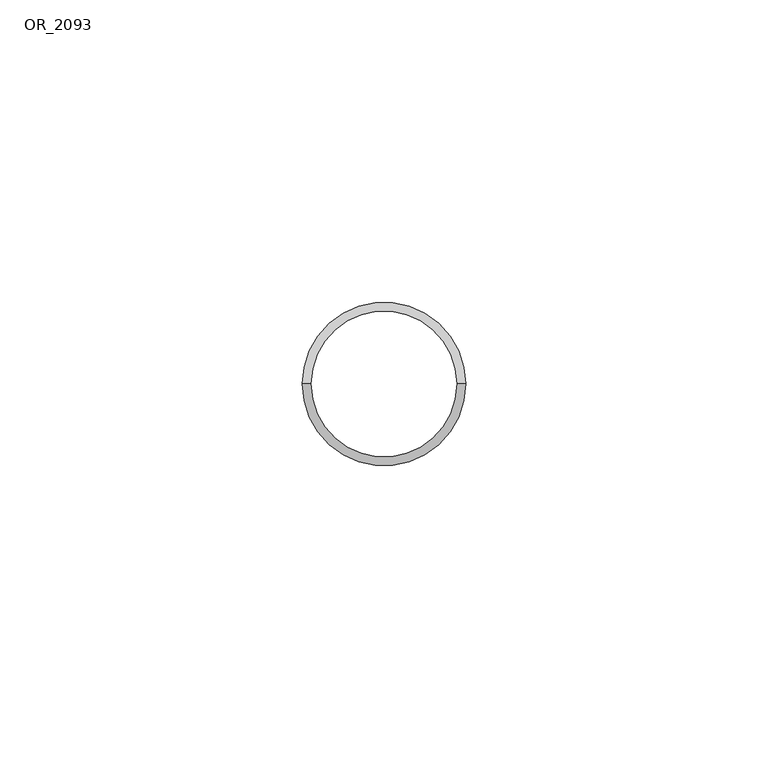
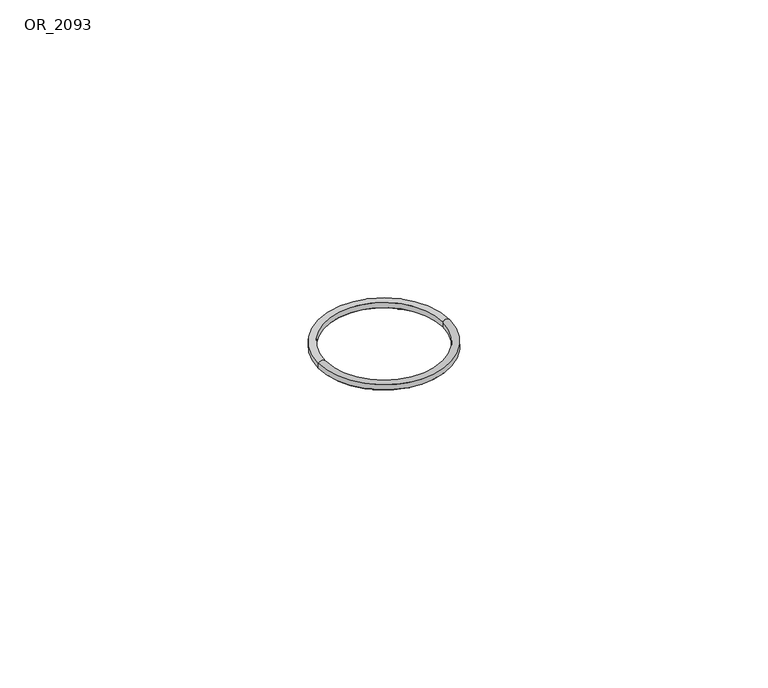
"""IFC4 building model written with IfcOpenShell, lengths in millimetres: proxy geometry, OR_2093."""

from ifc_helpers import new_model, si_unit, point, frame, origin, origin_with_axes, place, context, project, spatial, polyline, circle_curve, ellipse_curve, trimmed, source, transform, mapped, element, save
from ifc_brep_helpers import cylinder_surface, revolved_surface, advanced_brep


def or_2093_ee49ad4b(model_context):
    return source(origin(), model_context, "Body", "AdvancedBrep", [
        advanced_brep(
        [(13.5, 0.0, -0.534), (13.5, 0.0, 0.534), (-13.5, 0.0, 0.534), (-13.5, 0.0, -0.534), (12.076, 0.0, -0.534), (-12.076, 0.0, -0.534), (12.076, 0.0, 0.534), (-12.076, 0.0, 0.534)],
        [
            (0, 1),
            (1, 2, circle_curve(frame((0.0, 0.0, 0.534), z_axis=(0.0, 0.0, -1.0), x_axis=(1.0, 0.0, 0.0)), 13.5)),
            (2, 3),
            (3, 0, circle_curve(frame((0.0, 0.0, -0.534), z_axis=(0.0, 0.0, 1.0), x_axis=(1.0, 0.0, 0.0)), 13.5)),
            (4, 0, circle_curve(frame((12.788, 0.0, 0.0), z_axis=(0.0, -1.0, 0.0), x_axis=(1.0, 0.0, 0.0)), 0.89)),
            (3, 5, circle_curve(frame((-12.788, 0.0, 0.0), z_axis=(0.0, -1.0, 0.0), x_axis=(-1.0, 0.0, 0.0)), 0.89)),
            (5, 4, circle_curve(frame((0.0, 0.0, -0.534), z_axis=(0.0, 0.0, 1.0), x_axis=(-1.0, 0.0, 0.0)), 12.076)),
            (4, 6),
            (6, 7, circle_curve(frame((0.0, 0.0, 0.534), z_axis=(0.0, 0.0, 1.0), x_axis=(1.0, 0.0, 0.0)), 12.076)),
            (7, 5),
            (5, 4, circle_curve(frame((0.0, 0.0, -0.534), z_axis=(0.0, 0.0, -1.0), x_axis=(1.0, 0.0, 0.0)), 12.076)),
            (1, 6, circle_curve(frame((12.788, 0.0, 0.0), z_axis=(0.0, -1.0, 0.0), x_axis=(1.0, 0.0, 0.0)), 0.89)),
            (6, 7, circle_curve(frame((0.0, 0.0, 0.534), z_axis=(0.0, 0.0, -1.0), x_axis=(-1.0, 0.0, 0.0)), 12.076)),
            (7, 2, circle_curve(frame((-12.788, 0.0, 0.0), z_axis=(0.0, -1.0, 0.0), x_axis=(-1.0, 0.0, 0.0)), 0.89)),
            (1, 2, circle_curve(frame((0.0, 0.0, 0.534), z_axis=(0.0, 0.0, 1.0), x_axis=(1.0, 0.0, 0.0)), 13.5)),
            (3, 0, circle_curve(frame((0.0, 0.0, -0.534), z_axis=(0.0, 0.0, -1.0), x_axis=(1.0, 0.0, 0.0)), 13.5)),
        ],
        [
            cylinder_surface(origin_with_axes(), 13.5),
            revolved_surface(trimmed(ellipse_curve(frame((-12.788, 0.0, 0.0), z_axis=(0.0, 1.0, 0.0), x_axis=(-1.0, 0.0, 0.0)), 0.89, 0.89), [point((-12.076, 0.0, -0.534))], [point((-13.5, 0.0, -0.534))], True, "CARTESIAN"), (0.0, 0.0, 0.0), (0.0, 0.0, 1.0)),
            revolved_surface(polyline([(12.076, 0.0, 0.534), (12.076, 0.0, -0.534)]), (0.0, 0.0, 0.0), (0.0, 0.0, 1.0)),
            revolved_surface(trimmed(ellipse_curve(frame((-12.788, 0.0, 0.0), z_axis=(0.0, 1.0, 0.0), x_axis=(-1.0, 0.0, 0.0)), 0.89, 0.89), [point((-13.5, 0.0, 0.534))], [point((-12.076, 0.0, 0.534))], True, "CARTESIAN"), (0.0, 0.0, 0.0), (0.0, 0.0, 1.0)),
            revolved_surface(trimmed(ellipse_curve(frame((12.788, 0.0, 0.0), z_axis=(0.0, -1.0, 0.0), x_axis=(1.0, 0.0, 0.0)), 0.89, 0.89), [point((13.5, 0.0, 0.534))], [point((12.076, 0.0, 0.534))], True, "CARTESIAN"), (0.0, 0.0, 0.0), (0.0, 0.0, 1.0)),
            revolved_surface(trimmed(ellipse_curve(frame((12.788, 0.0, 0.0), z_axis=(0.0, -1.0, 0.0), x_axis=(1.0, 0.0, 0.0)), 0.89, 0.89), [point((12.076, 0.0, -0.534))], [point((13.5, 0.0, -0.534))], True, "CARTESIAN"), (0.0, 0.0, 0.0), (0.0, 0.0, 1.0)),
        ],
        [
            (0, [[1, 2, 3, 4]]),
            (1, [[5, -4, 6, 7]]),
            (2, [[8, 9, 10, 11]]),
            (3, [[12, 13, 14, -2]]),
            (4, [[-12, 15, -14, -9]]),
            (2, [[-8, -7, -10, -13]]),
            (5, [[-5, -11, -6, 16]]),
            (0, [[-1, -16, -3, -15]]),
        ],
    ),
    ])


if __name__ == "__main__":
    model = new_model("IFC4")
    model_context = context("Model", 3, world=origin())
    ifc_project = project(units=[si_unit("LENGTHUNIT", "METRE", prefix="MILLI")], contexts=[model_context])
    site = spatial("IfcSite", under=ifc_project)
    building = spatial("IfcBuilding", under=site)
    placement = place(None, origin())
    or_2093_shape = or_2093_ee49ad4b(model_context)
    element("IfcBuildingElementProxy", 1, Name="OR_2093", ObjectType="OR_2093", at=placement, inside=building, context=model_context, shape_type="MappedRepresentation", body=[
        mapped(or_2093_shape, transform((0.0, 0.0, 0.0), x_axis=(1.0, 0.0, 0.0), y_axis=(0.0, 1.0, 0.0), z_axis=(0.0, 0.0, 1.0))),
    ])
    save(model, "model.ifc")
